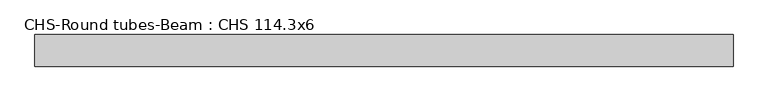
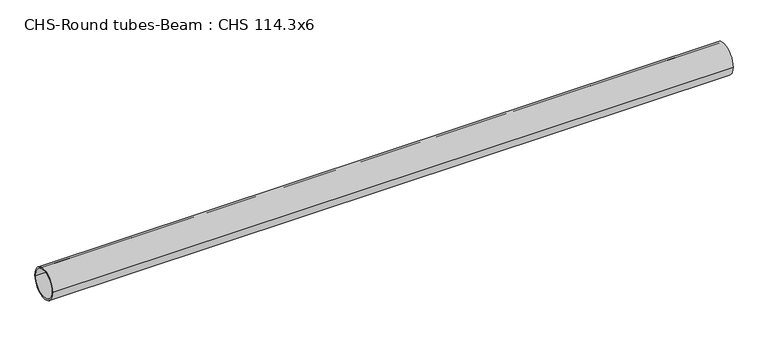
"""IFC4 building model written with IfcOpenShell, lengths in millimetres: beam geometry, CHS-Round tubes-Beam : CHS 114.3x6."""

from ifc_helpers import new_model, si_unit, point, frame, origin, origin_2d, place, context, project, spatial, circle_curve, trimmed, segment, composite_curve, outline, extrude, source, transform, mapped, element, save


def chs_round_tubes_beam_chs_114_3x6_e626fb2d(model_context):
    return source(origin(), model_context, "Body", "SweptSolid", [
        extrude(outline(composite_curve([segment(trimmed(circle_curve(origin_2d(), 57.15), [point((57.15, 0.0))], [point((-57.15, 0.0))], False, "CARTESIAN"), True, "CONTINUOUS"), segment(trimmed(circle_curve(origin_2d(), 57.15), [point((-57.15, 0.0))], [point((57.15, 0.0))], False, "CARTESIAN"), True, "CONTINUOUS")], self_intersect=False), holes=[composite_curve([segment(trimmed(circle_curve(origin_2d(), 51.15), [point((51.15, 0.0))], [point((-51.15, 0.0))], True, "CARTESIAN"), True, "CONTINUOUS"), segment(trimmed(circle_curve(origin_2d(), 51.15), [point((-51.15, 0.0))], [point((51.15, 0.0))], True, "CARTESIAN"), True, "CONTINUOUS")], self_intersect=False)]), frame((-1208.1342911, 0.0, 0.0), z_axis=(1.0, 0.0, 0.0), x_axis=(0.0, 1.0, 0.0)), (0.0, 0.0, 1.0), 2526.2978963),
    ])


if __name__ == "__main__":
    model = new_model("IFC4")
    model_context = context("Model", 3, world=origin())
    ifc_project = project(units=[si_unit("LENGTHUNIT", "METRE", prefix="MILLI")], contexts=[model_context])
    site = spatial("IfcSite", under=ifc_project)
    building = spatial("IfcBuilding", under=site)
    placement = place(None, origin())
    chs_round_tubes_beam_chs_114_3x6_shape = chs_round_tubes_beam_chs_114_3x6_e626fb2d(model_context)
    element("IfcBeam", 1, ObjectType="CHS-Round tubes-Beam : CHS 114.3x6", at=placement, inside=building, context=model_context, shape_type="MappedRepresentation", body=[
        mapped(chs_round_tubes_beam_chs_114_3x6_shape, transform((0.0, 0.0, 0.0), x_axis=(1.0, 0.0, 0.0), y_axis=(0.0, 1.0, 0.0), z_axis=(0.0, 0.0, 1.0))),
    ])
    save(model, "model.ifc")
